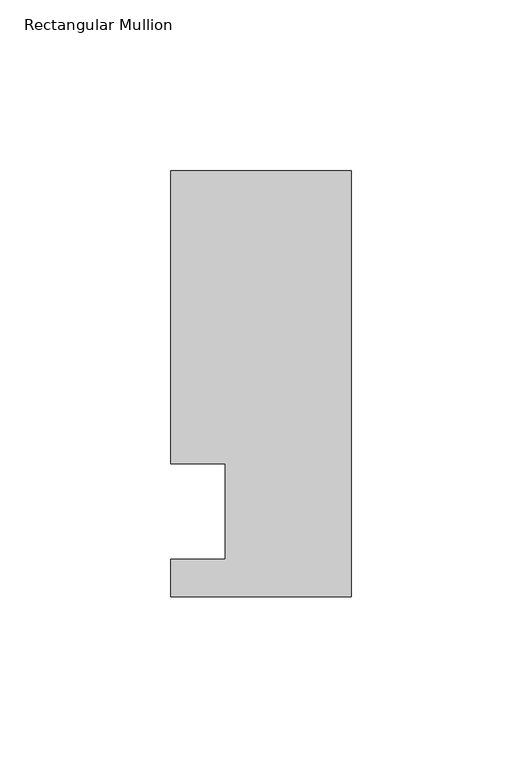
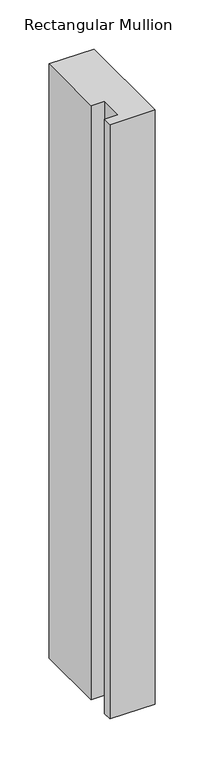
"""IFC4 building model written with IfcOpenShell, lengths in millimetres: member geometry, Rectangular Mullion."""

from ifc_helpers import new_model, si_unit, frame, origin, place, context, project, spatial, polyline, outline, extrude, source, transform, mapped, element, save


def rectangular_mullion_185b2a11(model_context):
    return source(origin(), model_context, "Body", "SweptSolid", [
        extrude(outline(polyline([(0.0, -25.0), (-53.0, -25.0), (-53.0, -14.0), (-37.0, -14.0), (-37.0, 13.9998907), (-53.0, 13.9998907), (-53.0, 100.0), (0.0, 100.0), (0.0, -25.0)])), frame((0.0, 0.0, -740.0), z_axis=(0.0, 0.0, 1.0), x_axis=(1.0, 0.0, 0.0)), (0.0, 0.0, 1.0), 740.0),
    ])


if __name__ == "__main__":
    model = new_model("IFC4")
    model_context = context("Model", 3, world=origin())
    ifc_project = project(units=[si_unit("LENGTHUNIT", "METRE", prefix="MILLI")], contexts=[model_context])
    site = spatial("IfcSite", under=ifc_project)
    building = spatial("IfcBuilding", under=site)
    placement = place(None, origin())
    rectangular_mullion_shape = rectangular_mullion_185b2a11(model_context)
    element("IfcMember", 1, ObjectType="Rectangular Mullion", at=placement, inside=building, context=model_context, shape_type="MappedRepresentation", body=[
        mapped(rectangular_mullion_shape, transform((0.0, 0.0, 0.0), x_axis=(1.0, 0.0, 0.0), y_axis=(0.0, 1.0, 0.0), z_axis=(0.0, 0.0, 1.0))),
    ])
    save(model, "model.ifc")
